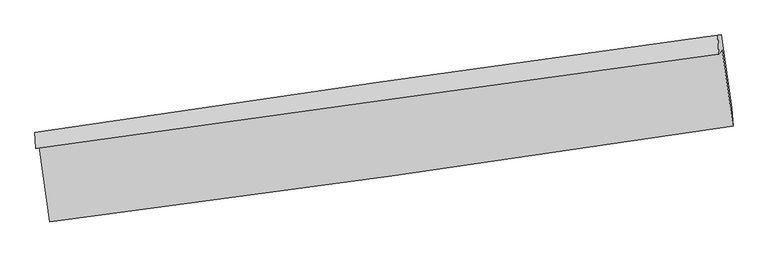
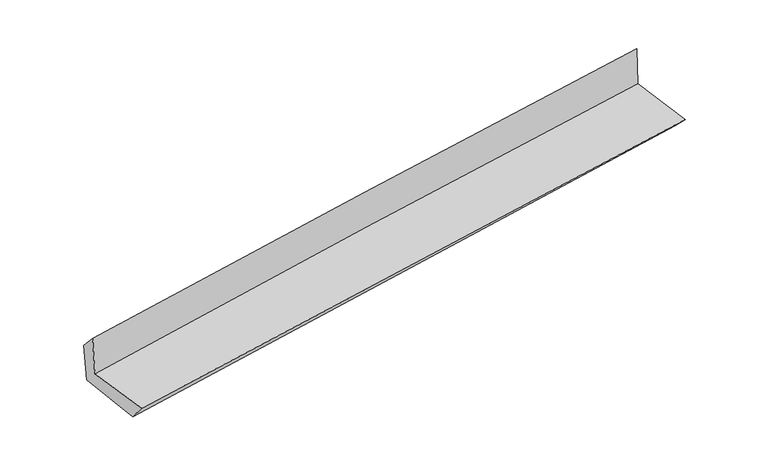
"""IFC4 building model written with IfcOpenShell, lengths in millimetres: proxy geometry."""

import ifcopenshell
import ifcopenshell.guid

model = None  # the IFC model being written
_history = None  # IfcOwnerHistory: only IFC2X3 demands one
_inside = {}  # id of a spatial element -> (the spatial element, [elements in it])
_under = {}  # id of a project, library or spatial element -> (it, [spatial elements below it])
_declared = {}  # id of a project -> (the project, [libraries it declares])
_typed = {}  # id of a type object -> (the type object, [elements of that type])
_made_of = {}  # id of a material, layer set ... -> (it, [elements and type objects made of it])


def new_model(schema):
    """Start an empty IFC model of exactly this schema.

    Asked for "IFC4X3", IfcOpenShell would pick the latest addendum, in which some entities
    have other attributes; the version numbers below select the first issue.
    IFC2X3 requires an IfcOwnerHistory on every rooted entity: one is made here for all.
    """
    global model, _history
    if schema == "IFC4X3":
        model = ifcopenshell.file(schema_version=(4, 3, 0, 0))
    else:
        model = ifcopenshell.file(schema=schema)
    _inside.clear()
    _under.clear()
    _declared.clear()
    _typed.clear()
    _made_of.clear()
    _history = None
    if model.schema == "IFC2X3":
        org = make("IfcOrganization", Name="unknown")
        user = make(
            "IfcPersonAndOrganization",
            ThePerson=make("IfcPerson", FamilyName="unknown"),
            TheOrganization=org,
        )
        app = make(
            "IfcApplication",
            ApplicationDeveloper=org,
            Version="unknown",
            ApplicationFullName="unknown",
            ApplicationIdentifier="unknown",
        )
        _history = make(
            "IfcOwnerHistory",
            OwningUser=user,
            OwningApplication=app,
            ChangeAction="ADDED",
            CreationDate=0,
        )
    return model


def make(cls, **values):
    """One entity of the class cls with the attributes given. An attribute that is None is left unset."""
    return model.create_entity(
        cls, **{name: value for name, value in values.items() if value is not None}
    )


def rooted(cls, **values):
    """An entity with a GlobalId (a new one), such as an element, a storey or a relation."""
    return make(cls, GlobalId=ifcopenshell.guid.new(), OwnerHistory=_history, **values)


def si_unit(unit_type, name, prefix=None):
    """IfcSIUnit, for example si_unit("LENGTHUNIT", "METRE", prefix="MILLI")."""
    return make("IfcSIUnit", UnitType=unit_type, Prefix=prefix, Name=name)


def assignment(units):
    """IfcUnitAssignment: the units of a project."""
    return None if units is None else make("IfcUnitAssignment", Units=units)


def point(xyz):
    """IfcCartesianPoint."""
    return None if xyz is None else make("IfcCartesianPoint", Coordinates=xyz)


def direction(xyz):
    """IfcDirection."""
    return None if xyz is None else make("IfcDirection", DirectionRatios=xyz)


def frame(location, z_axis=None, x_axis=None):
    """IfcAxis2Placement3D, a coordinate frame: its origin and axes. An axis left out is left unset."""
    return make(
        "IfcAxis2Placement3D",
        Location=point(location),
        Axis=direction(z_axis),
        RefDirection=direction(x_axis),
    )


def origin():
    """The frame at (0, 0, 0) with its axes left unset."""
    return frame((0.0, 0.0, 0.0))


def place(relative_to, where):
    """IfcLocalPlacement: puts the frame where relative to a parent placement (None: the world)."""
    return make(
        "IfcLocalPlacement", PlacementRelTo=relative_to, RelativePlacement=where
    )


def context(
    kind, dimensions, precision=None, world=None, true_north=None, identifier=None
):
    """IfcGeometricRepresentationContext, for example the 3D "Model" context."""
    return make(
        "IfcGeometricRepresentationContext",
        ContextIdentifier=identifier,
        ContextType=kind,
        CoordinateSpaceDimension=dimensions,
        Precision=precision,
        WorldCoordinateSystem=world,
        TrueNorth=true_north,
    )


def project(units=None, contexts=None):
    """IfcProject with its units and contexts."""
    return rooted(
        "IfcProject",
        Name="project",
        RepresentationContexts=contexts,
        UnitsInContext=assignment(units),
    )


def spatial(cls, under=None, at=None, **own):
    """A site, building, storey or space (cls), placed at a placement, below another one or the project."""
    s = rooted(cls, ObjectPlacement=at, **own)
    if under is not None:
        _under.setdefault(under.id(), (under, []))[1].append(s)
    return s


def shape(context_of_items, identifier, shape_type, items):
    """IfcShapeRepresentation: the items that make up one representation, for example the "Body"."""
    return make(
        "IfcShapeRepresentation",
        ContextOfItems=context_of_items,
        RepresentationIdentifier=identifier,
        RepresentationType=shape_type,
        Items=items,
    )


def source(mapping_origin, context_of_items, identifier, shape_type, items):
    """IfcRepresentationMap: a shape defined once, which mapped items show again and again."""
    return make(
        "IfcRepresentationMap",
        MappingOrigin=mapping_origin,
        MappedRepresentation=shape(context_of_items, identifier, shape_type, items),
    )


def transform(
    local_origin,
    x_axis=None,
    y_axis=None,
    z_axis=None,
    scale=None,
    scale2=None,
    scale3=None,
    uniform=True,
):
    """IfcCartesianTransformationOperator3D, or its non-uniform kind. x_axis, y_axis, z_axis: its Axis1, 2, 3."""
    if uniform:
        return make(
            "IfcCartesianTransformationOperator3D",
            Axis1=direction(x_axis),
            Axis2=direction(y_axis),
            LocalOrigin=point(local_origin),
            Scale=scale,
            Axis3=direction(z_axis),
        )
    return make(
        "IfcCartesianTransformationOperator3DnonUniform",
        Axis1=direction(x_axis),
        Axis2=direction(y_axis),
        LocalOrigin=point(local_origin),
        Scale=scale,
        Axis3=direction(z_axis),
        Scale2=scale2,
        Scale3=scale3,
    )


def mapped(mapping_source, mapping_target):
    """IfcMappedItem: shows the shape of a source again, moved by a transform."""
    return make(
        "IfcMappedItem", MappingSource=mapping_source, MappingTarget=mapping_target
    )


def made_of(thing, what):
    """Note that an element or type object is made of a material, layer set ...; save() writes the relation."""
    if what is not None:
        _made_of.setdefault(what.id(), (what, []))[1].append(thing)
    return thing


def element(
    cls,
    number,
    at=None,
    inside=None,
    cuts=None,
    type_object=None,
    material=None,
    context=None,
    identifier="Body",
    shape_type=None,
    held_by="IfcProductDefinitionShape",
    body=None,
    shapes=None,
    **own,
):
    """One element of the class cls, such as IfcWall. Its Tag is "e" and its number.

    at: its placement. inside: the storey or other place that contains it. cuts: it is an
    opening in that element (IfcRelVoidsElement). A single representation is given by context,
    identifier, shape_type and body (its items); several are given by shapes. held_by: the class
    of the entity that holds the representations. save() writes the other relations.
    """
    e = rooted(cls, Tag="e%d" % number, ObjectPlacement=at, **own)
    if body is not None:
        shapes = [shape(context, identifier, shape_type, body)]
    if shapes is not None:
        e.Representation = make(held_by, Representations=shapes)
    if inside is not None:
        _inside.setdefault(inside.id(), (inside, []))[1].append(e)
    if cuts is not None:
        rooted(
            "IfcRelVoidsElement", RelatingBuildingElement=cuts, RelatedOpeningElement=e
        )
    if type_object is not None:
        _typed.setdefault(type_object.id(), (type_object, []))[1].append(e)
    return made_of(e, material)


def aggregate(whole, parts):
    """IfcRelAggregates: a whole, such as a stair, and the parts it consists of."""
    return rooted("IfcRelAggregates", RelatingObject=whole, RelatedObjects=parts)


def save(model, path):
    """Write the relations noted so far, then the file.

    IfcRelAggregates (storeys below a building ...), IfcRelContainedInSpatialStructure (elements
    in a storey), IfcRelDefinesByType, IfcRelAssociatesMaterial and IfcRelDeclares: one each for
    every whole, place, type object, material and project.
    """
    for whole, parts in _under.values():
        aggregate(whole, parts)
    for where, things in _inside.values():
        rooted(
            "IfcRelContainedInSpatialStructure",
            RelatedElements=things,
            RelatingStructure=where,
        )
    for kind, things in _typed.values():
        rooted("IfcRelDefinesByType", RelatedObjects=things, RelatingType=kind)
    for what, things in _made_of.values():
        rooted("IfcRelAssociatesMaterial", RelatedObjects=things, RelatingMaterial=what)
    for by, libraries in _declared.values():
        rooted("IfcRelDeclares", RelatingContext=by, RelatedDefinitions=libraries)
    model.write(path)


def plane_surface(at):
    """IfcPlane: the flat surface through the origin of the frame at, square to its z axis."""
    return make("IfcPlane", Position=at)


def spline_curve(degree, points, multiplicities, knots, weights=None):
    """IfcBSplineCurveWithKnots; with weights, IfcRationalBSplineCurveWithKnots."""
    own = dict(
        Degree=degree,
        ControlPointsList=[point(p) for p in points],
        CurveForm="UNSPECIFIED",
        ClosedCurve=False,
        SelfIntersect=False,
        KnotMultiplicities=multiplicities,
        Knots=knots,
        KnotSpec="UNSPECIFIED",
    )
    if weights is None:
        return make("IfcBSplineCurveWithKnots", **own)
    return make("IfcRationalBSplineCurveWithKnots", WeightsData=weights, **own)


def spline_surface(u_degree, v_degree, points, u_multiplicities, v_multiplicities, u_knots, v_knots, weights=None):
    """IfcBSplineSurfaceWithKnots; with weights, IfcRationalBSplineSurfaceWithKnots. points: one row for each step in u."""
    own = dict(
        UDegree=u_degree,
        VDegree=v_degree,
        ControlPointsList=[[point(p) for p in row] for row in points],
        SurfaceForm="UNSPECIFIED",
        UClosed=False,
        VClosed=False,
        SelfIntersect=False,
        UMultiplicities=u_multiplicities,
        VMultiplicities=v_multiplicities,
        UKnots=u_knots,
        VKnots=v_knots,
        KnotSpec="UNSPECIFIED",
    )
    if weights is None:
        return make("IfcBSplineSurfaceWithKnots", **own)
    return make("IfcRationalBSplineSurfaceWithKnots", WeightsData=weights, **own)


def advanced_brep(points, edges, surfaces, faces):
    """IfcAdvancedBrep: a solid bounded by faces that lie on surfaces and meet in shared edges.

    An edge is (start, end): straight between two places in points (the first is 0);
    or (start, end, curve); or (start, end, curve, False) where it runs against its curve.
    A face is (place in surfaces, loops), or (place, loops, False) where it looks against
    its surface's normal. A loop lists edges by number (the first is 1), with a minus sign
    where the edge is run from its end to its start. The first loop is the outer one.
    """
    corners = [point(p) for p in points]
    vertices = [make("IfcVertexPoint", VertexGeometry=c) for c in corners]
    made = []
    for start, end, *more in edges:
        made.append(
            make(
                "IfcEdgeCurve",
                EdgeStart=vertices[start],
                EdgeEnd=vertices[end],
                EdgeGeometry=more[0] if more else make("IfcPolyline", Points=[corners[start], corners[end]]),
                SameSense=more[1] if len(more) > 1 else True,
            )
        )
    hull = []
    for where, loops, *sense in faces:
        bounds = []
        for j, loop in enumerate(loops):
            ring = [make("IfcOrientedEdge", EdgeElement=made[abs(k) - 1], Orientation=k > 0) for k in loop]
            bounds.append(
                make(
                    "IfcFaceOuterBound" if j == 0 else "IfcFaceBound",
                    Bound=make("IfcEdgeLoop", EdgeList=ring),
                    Orientation=True,
                )
            )
        hull.append(make("IfcAdvancedFace", Bounds=bounds, FaceSurface=surfaces[where], SameSense=sense[0] if sense else True))
    return make("IfcAdvancedBrep", Outer=make("IfcClosedShell", CfsFaces=hull))


def generic_models_d3a2e8f1(model_context):
    return source(origin(), model_context, "Body", "AdvancedBrep", [
        advanced_brep(
        [(-2994.5485354, -1918.8511661, 1659.5996841), (-2901.7129801, -2571.0445287, 1659.036765), (3040.5009042, -1734.5287529, 2139.5221151), (2945.4804684, -1074.7765637, 2153.5975671), (-3025.3918066, -1931.7858056, 2057.6626129), (2916.9070182, -1108.2733314, 2559.6453688), (-3032.6078746, -1790.714497, 1901.1031733), (2906.9673435, -942.412609, 2393.3028791), (-3001.4713314, -1788.8548595, 1518.6589873), (2937.3182325, -940.5998949, 2020.5087334), (-2907.8578471, -2426.7409647, 1483.8300261), (3030.9318659, -1578.4870163, 1985.6797167)],
        [
            (0, 1),
            (1, 2, spline_curve(3, [(-2901.7129801, -2571.0445287, 1659.036765), (-1910.492145224, -2442.932931811, 1748.265286944), (-919.694393688, -2309.167052173, 1832.920197559), (1061.043558119, -2030.328330036, 1993.081875722), (2050.983767996, -1885.255617802, 2068.588748397), (3040.5009042, -1734.5287529, 2139.5221151)], [4, 2, 4], [0.0, 9.875601544669138, 19.751089571165323])),
            (2, 3),
            (3, 0, spline_curve(3, [(2945.4804684, -1074.7765637, 2153.5975671), (1954.596826024, -1217.283953262, 2085.064731722), (964.155430099, -1358.876799136, 2009.632099905), (-1015.854247683, -1640.235020953, 1844.966297688), (-2005.422520036, -1780.000375938, 1755.732968232), (-2994.5485354, -1918.8511661, 1659.5996841)], [4, 2, 4], [0.0, 9.875488026496186, 19.751089571165323])),
            (4, 0),
            (3, 5),
            (5, 4, spline_curve(3, [(2916.9070182, -1108.2733314, 2559.6453688), (1925.848598944, -1244.682790254, 2482.674792192), (935.130664961, -1381.513162011, 2402.35786712), (-1045.635617893, -1656.017310685, 2235.030358576), (-2035.68395873, -1793.691096556, 2148.019698468), (-3025.3918066, -1931.7858056, 2057.6626129)], [4, 2, 4], [0.0, 9.875432508247625, 19.750978534030022])),
            (6, 4),
            (5, 7),
            (7, 6, spline_curve(3, [(2906.9673435, -942.412609, 2393.3028791), (1915.912001493, -1077.990184909, 2314.853351543), (925.422570491, -1216.470373929, 2234.612191424), (-1054.435848405, -1499.237603459, 2070.545664214), (-2043.804823559, -1643.524710482, 1986.72025529), (-3032.6078746, -1790.714497, 1901.1031733)], [4, 2, 4], [0.0, 9.875350202890454, 19.750813922369584])),
            (8, 6),
            (7, 9),
            (9, 8, spline_curve(3, [(2937.3182325, -940.5998949, 2020.5087334), (1946.114291469, -1076.186345957, 1943.884417993), (955.616031119, -1214.667062521, 1863.751708813), (-1023.980506328, -1497.418650577, 1696.468540738), (-2013.078767338, -1641.689589138, 1609.318001276), (-3001.4713314, -1788.8548595, 1518.6589873)], [4, 2, 4], [0.0, 9.875376180874227, 19.750865878635746])),
            (10, 8),
            (9, 11),
            (11, 10, spline_curve(3, [(3030.9318659, -1578.4870163, 1985.6797167), (2041.66395394, -1727.265647202, 1908.335100544), (1052.133701046, -1872.342406734, 1827.842243228), (-927.462864056, -2155.093807962, 1660.559085522), (-1917.529182002, -2292.768364409, 1573.768712448), (-2907.8578471, -2426.7409647, 1483.8300261)], [4, 2, 4], [0.0, 9.875365424849866, 19.750844366463383])),
            (1, 10),
            (11, 2),
        ],
        [
            spline_surface(3, 3, [[(-2994.5485354, -1918.8511661, 1659.5996841), (-2005.422520078, -1780.000375826, 1755.732968299), (-1015.854247838, -1640.235020965, 1844.966297601), (964.155430254, -1358.876799124, 2009.632099992), (1954.596825964, -1217.283953217, 2085.064731655), (2945.4804684, -1074.7765637, 2153.5975671)], [(-2963.603350298, -2136.248953644, 1659.412044401), (-1973.77906175, -2000.977894448, 1753.243741161), (-983.800963081, -1863.212364657, 1840.950930907), (996.451472882, -1582.693976114, 2004.115358585), (1986.725806664, -1439.941174756, 2079.572737263), (2977.153947007, -1294.693960101, 2148.90574978)], [(-2932.658165202, -2353.646741156, 1659.224404699), (-1942.135603428, -2221.955413038, 1750.75451402), (-951.747678394, -2086.189708386, 1836.935564208), (1028.747515439, -1806.51115314, 1998.598617173), (2018.854787343, -1662.598396291, 2074.080742832), (3008.827425593, -1514.611356499, 2144.21393242)], [(-2901.7129801, -2571.0445287, 1659.036765), (-1910.4921451, -2442.93293166, 1748.265286881), (-919.694393637, -2309.167052078, 1832.920197515), (1061.043558067, -2030.32833013, 1993.081875766), (2050.983768043, -1885.25561783, 2068.58874844), (3040.5009042, -1734.5287529, 2139.5221151)]], [4, 4], [4, 2, 4], [0.0, 2.221974876987623], [0.0, 9.875601544669138, 19.751089571165323]),
            spline_surface(3, 3, [[(-3025.3918066, -1931.7858056, 2057.6626129), (-2035.683958584, -1793.691096617, 2148.019698368), (-1045.635617854, -1656.017310544, 2235.030358671), (935.130664922, -1381.513162152, 2402.357867024), (1925.848599096, -1244.682790162, 2482.674792049), (2916.9070182, -1108.2733314, 2559.6453688)], [(-3015.110716191, -1927.47425911, 1924.974969945), (-2025.596812406, -1789.12752303, 2017.257454989), (-1035.708494545, -1650.756547338, 2105.009004977), (944.80558667, -1373.967707797, 2271.449278009), (1935.431341372, -1235.549844509, 2350.138105262), (2926.431501586, -1097.107742163, 2424.296101577)], [(-3004.829625809, -1923.16271259, 1792.287327055), (-2015.509666256, -1784.563949413, 1886.495211678), (-1025.781371148, -1645.495784171, 1974.987651296), (954.480508506, -1366.422253479, 2140.540689007), (1945.014083688, -1226.416898869, 2217.601418443), (2935.955985014, -1085.942152937, 2288.946834323)], [(-2994.5485354, -1918.8511661, 1659.5996841), (-2005.422520078, -1780.000375826, 1755.732968299), (-1015.854247838, -1640.235020965, 1844.966297601), (964.155430254, -1358.876799124, 2009.632099992), (1954.596825964, -1217.283953217, 2085.064731655), (2945.4804684, -1074.7765637, 2153.5975671)]], [4, 4], [4, 2, 4], [0.0, 1.289263652103114], [0.0, 9.875546025782397, 19.750978534030022]),
            spline_surface(3, 3, [[(-3032.6078746, -1790.714497, 1901.1031733), (-2043.804823544, -1643.524710319, 1986.720255431), (-1054.435848489, -1499.237603325, 2070.545664111), (925.422570575, -1216.470374062, 2234.612191527), (1915.912001512, -1077.990185045, 2314.853351436), (2906.9673435, -942.412609, 2393.3028791)], [(-3030.202518593, -1837.738266539, 1953.289653166), (-2041.09786855, -1693.580172424, 2040.486736409), (-1051.502438258, -1551.497505743, 2125.373895618), (928.658602044, -1271.48463677, 2290.52741668), (1919.224200708, -1133.554386749, 2370.79383162), (2910.280568402, -997.699516465, 2448.750375646)], [(-3027.797162607, -1884.762036061, 2005.476133034), (-2038.390913578, -1743.635634512, 2094.25321739), (-1048.569028086, -1603.757408126, 2180.202127164), (931.894633453, -1326.498899443, 2346.442641871), (1922.5363999, -1189.118588458, 2426.734311866), (2913.593793298, -1052.986423935, 2504.197872254)], [(-3025.3918066, -1931.7858056, 2057.6626129), (-2035.683958584, -1793.691096617, 2148.019698368), (-1045.635617854, -1656.017310544, 2235.030358671), (935.130664922, -1381.513162152, 2402.357867024), (1925.848599096, -1244.682790162, 2482.674792049), (2916.9070182, -1108.2733314, 2559.6453688)]], [4, 4], [4, 2, 4], [0.0, 0.7593730717314003], [0.0, 9.87546371947913, 19.750813922369584]),
            spline_surface(3, 3, [[(-3001.4713314, -1788.8548595, 1518.6589873), (-2013.078767247, -1641.689589248, 1609.318001308), (-1023.98050637, -1497.418650712, 1696.468540756), (955.616031161, -1214.667062385, 1863.751708794), (1946.114291569, -1076.186346052, 1943.884418054), (2937.3182325, -940.5998949, 2020.5087334)], [(-3011.850179132, -1789.474738665, 1646.140382631), (-2023.320786011, -1642.30129627, 1735.11875268), (-1034.132287064, -1498.024968244, 1821.160915223), (945.551544311, -1215.268166271, 1987.37186972), (1936.046861565, -1076.787625719, 2067.540729189), (2927.201269514, -941.204132936, 2144.773448641)], [(-3022.229026868, -1790.094617835, 1773.621777969), (-2033.56280478, -1642.913003297, 1860.919504059), (-1044.284067795, -1498.631285794, 1945.853289644), (935.487057424, -1215.869270176, 2110.9920306), (1925.979431517, -1077.388905378, 2191.197040302), (2917.084306486, -941.808370964, 2269.038163859)], [(-3032.6078746, -1790.714497, 1901.1031733), (-2043.804823544, -1643.524710319, 1986.720255431), (-1054.435848489, -1499.237603325, 2070.545664111), (925.422570575, -1216.470374062, 2234.612191527), (1915.912001512, -1077.990185045, 2314.853351436), (2906.9673435, -942.412609, 2393.3028791)]], [4, 4], [4, 2, 4], [0.0, 1.2260682291030327], [0.0, 9.87548969776152, 19.750865878635746]),
            spline_surface(3, 3, [[(-2907.8578471, -2426.7409647, 1483.8300261), (-1917.529182122, -2292.768364547, 1573.768712464), (-927.462863998, -2155.09380797, 1660.559085464), (1052.133700989, -1872.342406727, 1827.842243287), (2041.663953829, -1727.265647178, 1908.335100485), (3030.9318659, -1578.4870163, 1985.6797167)], [(-2939.062341866, -2214.112262938, 1495.439679835), (-1949.37904383, -2075.742106086, 1585.618475413), (-959.635411465, -1935.868755568, 1672.528903871), (1019.96114437, -1653.117291964, 1839.812065099), (2009.814066399, -1510.239213446, 1920.184873004), (2999.727321423, -1365.85797581, 1997.289388929)], [(-2970.266836634, -2001.483561262, 1507.049333565), (-1981.228905539, -1858.715847709, 1597.468238359), (-991.807958903, -1716.643703113, 1684.498722349), (987.78858778, -1433.892177148, 1851.781886981), (1977.964178999, -1293.212779784, 1932.034645535), (2968.522776977, -1153.22893539, 2008.899061171)], [(-3001.4713314, -1788.8548595, 1518.6589873), (-2013.078767247, -1641.689589248, 1609.318001308), (-1023.98050637, -1497.418650712, 1696.468540756), (955.616031161, -1214.667062385, 1863.751708794), (1946.114291569, -1076.186346052, 1943.884418054), (2937.3182325, -940.5998949, 2020.5087334)]], [4, 4], [4, 2, 4], [0.0, 2.184019122528751], [0.0, 9.875478941613517, 19.750844366463383]),
            spline_surface(3, 3, [[(-2901.7129801, -2571.0445287, 1659.036765), (-1910.4921451, -2442.93293166, 1748.265286881), (-919.694393637, -2309.167052078, 1832.920197515), (1061.043558067, -2030.32833013, 1993.081875766), (2050.983768043, -1885.25561783, 2068.58874844), (3040.5009042, -1734.5287529, 2139.5221151)], [(-2903.76126912, -2522.943340704, 1600.634518723), (-1912.837824127, -2392.878075959, 1690.099762099), (-922.283883774, -2257.809304043, 1775.466493521), (1058.07360569, -1977.666355664, 1938.001998296), (2047.877163306, -1832.592294304, 2015.170865782), (3037.311224767, -1682.514840725, 2088.241315628)], [(-2905.80955808, -2474.842152696, 1542.232272377), (-1915.183503095, -2342.823220248, 1631.934237246), (-924.873373861, -2206.451556005, 1718.012789457), (1055.103653365, -1925.004381193, 1882.922120756), (2044.770558566, -1779.928970703, 1961.752983142), (3034.121545333, -1630.500928475, 2036.960516172)], [(-2907.8578471, -2426.7409647, 1483.8300261), (-1917.529182122, -2292.768364547, 1573.768712464), (-927.462863998, -2155.09380797, 1660.559085464), (1052.133700989, -1872.342406727, 1827.842243287), (2041.663953829, -1727.265647178, 1908.335100485), (3030.9318659, -1578.4870163, 1985.6797167)]], [4, 4], [4, 2, 4], [0.0, 0.7546526922389849], [0.0, 9.875567713537228, 19.751021909290387]),
            plane_surface(frame((2963.0176388, -1229.8463613, 2208.7093967), z_axis=(0.9867755355828858, 0.14039125819619097, 0.08102059612962376), x_axis=(-0.08114516647672111, -0.004846414489186935, 0.9966905107524925))),
            plane_surface(frame((-2977.2650625, -2071.3319703, 1713.3152081), z_axis=(-0.9867755355826511, -0.14039125819722273, -0.08102059613069501), x_axis=(-0.14092304346421708, 0.9900201844635219, 0.0008545031284141166))),
        ],
        [
            (0, [[1, 2, 3, 4]]),
            (1, [[5, -4, 6, 7]]),
            (2, [[8, -7, 9, 10]]),
            (3, [[11, -10, 12, 13]]),
            (4, [[14, -13, 15, 16]]),
            (5, [[17, -16, 18, -2]]),
            (6, [[-12, -9, -6, -3, -18, -15]]),
            (7, [[-1, -5, -8, -11, -14, -17]]),
        ],
    ),
    ])


if __name__ == "__main__":
    model = new_model("IFC4")
    model_context = context("Model", 3, world=origin())
    ifc_project = project(units=[si_unit("LENGTHUNIT", "METRE", prefix="MILLI")], contexts=[model_context])
    site = spatial("IfcSite", under=ifc_project)
    building = spatial("IfcBuilding", under=site)
    placement = place(None, origin())
    generic_models_shape = generic_models_d3a2e8f1(model_context)
    element("IfcBuildingElementProxy", 1, Name="Generic Models", at=placement, inside=building, context=model_context, shape_type="MappedRepresentation", body=[
        mapped(generic_models_shape, transform((0.0, 0.0, 0.0), x_axis=(1.0, 0.0, 0.0), y_axis=(0.0, 1.0, 0.0), z_axis=(0.0, 0.0, 1.0))),
    ])
    save(model, "model.ifc")
